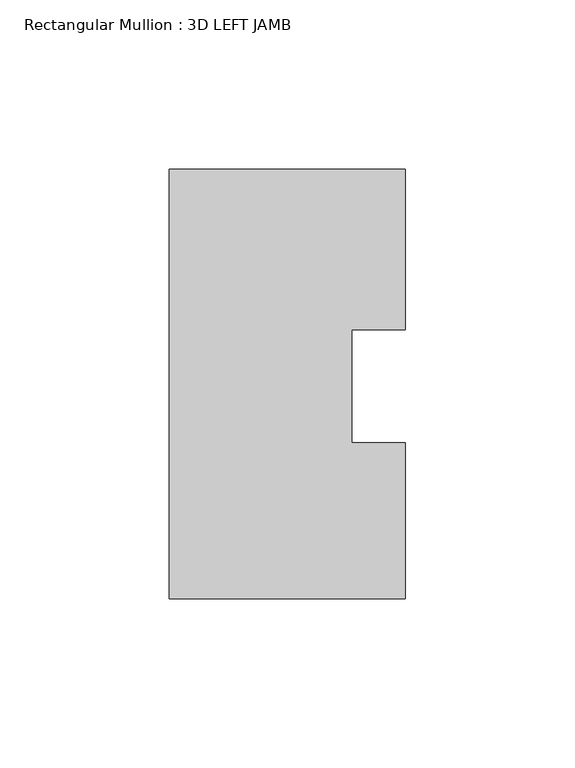
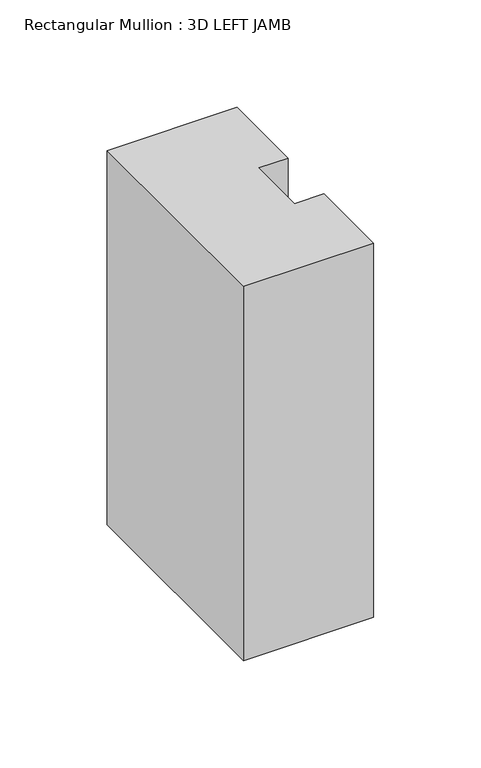
"""IFC4 building model written with IfcOpenShell, lengths in millimetres: member geometry, Rectangular Mullion : 3D LEFT JAMB."""

import ifcopenshell
import ifcopenshell.guid

model = None  # the IFC model being written
_history = None  # IfcOwnerHistory: only IFC2X3 demands one
_inside = {}  # id of a spatial element -> (the spatial element, [elements in it])
_under = {}  # id of a project, library or spatial element -> (it, [spatial elements below it])
_declared = {}  # id of a project -> (the project, [libraries it declares])
_typed = {}  # id of a type object -> (the type object, [elements of that type])
_made_of = {}  # id of a material, layer set ... -> (it, [elements and type objects made of it])


def new_model(schema):
    """Start an empty IFC model of exactly this schema.

    Asked for "IFC4X3", IfcOpenShell would pick the latest addendum, in which some entities
    have other attributes; the version numbers below select the first issue.
    IFC2X3 requires an IfcOwnerHistory on every rooted entity: one is made here for all.
    """
    global model, _history
    if schema == "IFC4X3":
        model = ifcopenshell.file(schema_version=(4, 3, 0, 0))
    else:
        model = ifcopenshell.file(schema=schema)
    _inside.clear()
    _under.clear()
    _declared.clear()
    _typed.clear()
    _made_of.clear()
    _history = None
    if model.schema == "IFC2X3":
        org = make("IfcOrganization", Name="unknown")
        user = make(
            "IfcPersonAndOrganization",
            ThePerson=make("IfcPerson", FamilyName="unknown"),
            TheOrganization=org,
        )
        app = make(
            "IfcApplication",
            ApplicationDeveloper=org,
            Version="unknown",
            ApplicationFullName="unknown",
            ApplicationIdentifier="unknown",
        )
        _history = make(
            "IfcOwnerHistory",
            OwningUser=user,
            OwningApplication=app,
            ChangeAction="ADDED",
            CreationDate=0,
        )
    return model


def make(cls, **values):
    """One entity of the class cls with the attributes given. An attribute that is None is left unset."""
    return model.create_entity(
        cls, **{name: value for name, value in values.items() if value is not None}
    )


def rooted(cls, **values):
    """An entity with a GlobalId (a new one), such as an element, a storey or a relation."""
    return make(cls, GlobalId=ifcopenshell.guid.new(), OwnerHistory=_history, **values)


def si_unit(unit_type, name, prefix=None):
    """IfcSIUnit, for example si_unit("LENGTHUNIT", "METRE", prefix="MILLI")."""
    return make("IfcSIUnit", UnitType=unit_type, Prefix=prefix, Name=name)


def assignment(units):
    """IfcUnitAssignment: the units of a project."""
    return None if units is None else make("IfcUnitAssignment", Units=units)


def point(xyz):
    """IfcCartesianPoint."""
    return None if xyz is None else make("IfcCartesianPoint", Coordinates=xyz)


def direction(xyz):
    """IfcDirection."""
    return None if xyz is None else make("IfcDirection", DirectionRatios=xyz)


def frame(location, z_axis=None, x_axis=None):
    """IfcAxis2Placement3D, a coordinate frame: its origin and axes. An axis left out is left unset."""
    return make(
        "IfcAxis2Placement3D",
        Location=point(location),
        Axis=direction(z_axis),
        RefDirection=direction(x_axis),
    )


def origin():
    """The frame at (0, 0, 0) with its axes left unset."""
    return frame((0.0, 0.0, 0.0))


def place(relative_to, where):
    """IfcLocalPlacement: puts the frame where relative to a parent placement (None: the world)."""
    return make(
        "IfcLocalPlacement", PlacementRelTo=relative_to, RelativePlacement=where
    )


def context(
    kind, dimensions, precision=None, world=None, true_north=None, identifier=None
):
    """IfcGeometricRepresentationContext, for example the 3D "Model" context."""
    return make(
        "IfcGeometricRepresentationContext",
        ContextIdentifier=identifier,
        ContextType=kind,
        CoordinateSpaceDimension=dimensions,
        Precision=precision,
        WorldCoordinateSystem=world,
        TrueNorth=true_north,
    )


def project(units=None, contexts=None):
    """IfcProject with its units and contexts."""
    return rooted(
        "IfcProject",
        Name="project",
        RepresentationContexts=contexts,
        UnitsInContext=assignment(units),
    )


def spatial(cls, under=None, at=None, **own):
    """A site, building, storey or space (cls), placed at a placement, below another one or the project."""
    s = rooted(cls, ObjectPlacement=at, **own)
    if under is not None:
        _under.setdefault(under.id(), (under, []))[1].append(s)
    return s


def polyline(points):
    """IfcPolyline through the points."""
    return make("IfcPolyline", Points=[point(p) for p in points])


def outline(outer, holes=None, kind="AREA"):
    """IfcArbitraryClosedProfileDef: a profile drawn as a closed curve; with holes, ...WithVoids."""
    if holes is None:
        return make("IfcArbitraryClosedProfileDef", ProfileType=kind, OuterCurve=outer)
    return make(
        "IfcArbitraryProfileDefWithVoids",
        ProfileType=kind,
        OuterCurve=outer,
        InnerCurves=holes,
    )


def extrude(swept, where, along, depth):
    """IfcExtrudedAreaSolid: the profile swept, set in the frame where, extruded along a direction by depth."""
    return make(
        "IfcExtrudedAreaSolid",
        SweptArea=swept,
        Position=where,
        ExtrudedDirection=direction(along),
        Depth=depth,
    )


def shape(context_of_items, identifier, shape_type, items):
    """IfcShapeRepresentation: the items that make up one representation, for example the "Body"."""
    return make(
        "IfcShapeRepresentation",
        ContextOfItems=context_of_items,
        RepresentationIdentifier=identifier,
        RepresentationType=shape_type,
        Items=items,
    )


def source(mapping_origin, context_of_items, identifier, shape_type, items):
    """IfcRepresentationMap: a shape defined once, which mapped items show again and again."""
    return make(
        "IfcRepresentationMap",
        MappingOrigin=mapping_origin,
        MappedRepresentation=shape(context_of_items, identifier, shape_type, items),
    )


def transform(
    local_origin,
    x_axis=None,
    y_axis=None,
    z_axis=None,
    scale=None,
    scale2=None,
    scale3=None,
    uniform=True,
):
    """IfcCartesianTransformationOperator3D, or its non-uniform kind. x_axis, y_axis, z_axis: its Axis1, 2, 3."""
    if uniform:
        return make(
            "IfcCartesianTransformationOperator3D",
            Axis1=direction(x_axis),
            Axis2=direction(y_axis),
            LocalOrigin=point(local_origin),
            Scale=scale,
            Axis3=direction(z_axis),
        )
    return make(
        "IfcCartesianTransformationOperator3DnonUniform",
        Axis1=direction(x_axis),
        Axis2=direction(y_axis),
        LocalOrigin=point(local_origin),
        Scale=scale,
        Axis3=direction(z_axis),
        Scale2=scale2,
        Scale3=scale3,
    )


def mapped(mapping_source, mapping_target):
    """IfcMappedItem: shows the shape of a source again, moved by a transform."""
    return make(
        "IfcMappedItem", MappingSource=mapping_source, MappingTarget=mapping_target
    )


def made_of(thing, what):
    """Note that an element or type object is made of a material, layer set ...; save() writes the relation."""
    if what is not None:
        _made_of.setdefault(what.id(), (what, []))[1].append(thing)
    return thing


def element(
    cls,
    number,
    at=None,
    inside=None,
    cuts=None,
    type_object=None,
    material=None,
    context=None,
    identifier="Body",
    shape_type=None,
    held_by="IfcProductDefinitionShape",
    body=None,
    shapes=None,
    **own,
):
    """One element of the class cls, such as IfcWall. Its Tag is "e" and its number.

    at: its placement. inside: the storey or other place that contains it. cuts: it is an
    opening in that element (IfcRelVoidsElement). A single representation is given by context,
    identifier, shape_type and body (its items); several are given by shapes. held_by: the class
    of the entity that holds the representations. save() writes the other relations.
    """
    e = rooted(cls, Tag="e%d" % number, ObjectPlacement=at, **own)
    if body is not None:
        shapes = [shape(context, identifier, shape_type, body)]
    if shapes is not None:
        e.Representation = make(held_by, Representations=shapes)
    if inside is not None:
        _inside.setdefault(inside.id(), (inside, []))[1].append(e)
    if cuts is not None:
        rooted(
            "IfcRelVoidsElement", RelatingBuildingElement=cuts, RelatedOpeningElement=e
        )
    if type_object is not None:
        _typed.setdefault(type_object.id(), (type_object, []))[1].append(e)
    return made_of(e, material)


def aggregate(whole, parts):
    """IfcRelAggregates: a whole, such as a stair, and the parts it consists of."""
    return rooted("IfcRelAggregates", RelatingObject=whole, RelatedObjects=parts)


def save(model, path):
    """Write the relations noted so far, then the file.

    IfcRelAggregates (storeys below a building ...), IfcRelContainedInSpatialStructure (elements
    in a storey), IfcRelDefinesByType, IfcRelAssociatesMaterial and IfcRelDeclares: one each for
    every whole, place, type object, material and project.
    """
    for whole, parts in _under.values():
        aggregate(whole, parts)
    for where, things in _inside.values():
        rooted(
            "IfcRelContainedInSpatialStructure",
            RelatedElements=things,
            RelatingStructure=where,
        )
    for kind, things in _typed.values():
        rooted("IfcRelDefinesByType", RelatedObjects=things, RelatingType=kind)
    for what, things in _made_of.values():
        rooted("IfcRelAssociatesMaterial", RelatedObjects=things, RelatingMaterial=what)
    for by, libraries in _declared.values():
        rooted("IfcRelDeclares", RelatingContext=by, RelatedDefinitions=libraries)
    model.write(path)


def rectangular_mullion_3d_left_jamb_81312d47(model_context):
    return source(origin(), model_context, "Body", "SweptSolid", [
        extrude(outline(polyline([(0.0, -62.8644207), (-69.85, -62.8644207), (-69.85, 64.1355793), (0.0, 64.1355793), (0.0, 16.6815107), (-15.875, 16.6815107), (-15.875, -16.6815107), (0.0, -16.6815107), (0.0, -62.8644207)])), frame((0.0, 0.0, -212.725), z_axis=(0.0, 0.0, 1.0), x_axis=(1.0, 0.0, 0.0)), (0.0, 0.0, 1.0), 212.725),
    ])


if __name__ == "__main__":
    model = new_model("IFC4")
    model_context = context("Model", 3, world=origin())
    ifc_project = project(units=[si_unit("LENGTHUNIT", "METRE", prefix="MILLI")], contexts=[model_context])
    site = spatial("IfcSite", under=ifc_project)
    building = spatial("IfcBuilding", under=site)
    placement = place(None, origin())
    rectangular_mullion_3d_left_jamb_shape = rectangular_mullion_3d_left_jamb_81312d47(model_context)
    element("IfcMember", 1, ObjectType="Rectangular Mullion : 3D LEFT JAMB", at=placement, inside=building, context=model_context, shape_type="MappedRepresentation", body=[
        mapped(rectangular_mullion_3d_left_jamb_shape, transform((0.0, 0.0, 0.0), x_axis=(1.0, 0.0, 0.0), y_axis=(0.0, 1.0, 0.0), z_axis=(0.0, 0.0, 1.0))),
    ])
    save(model, "model.ifc")
